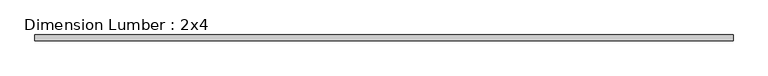
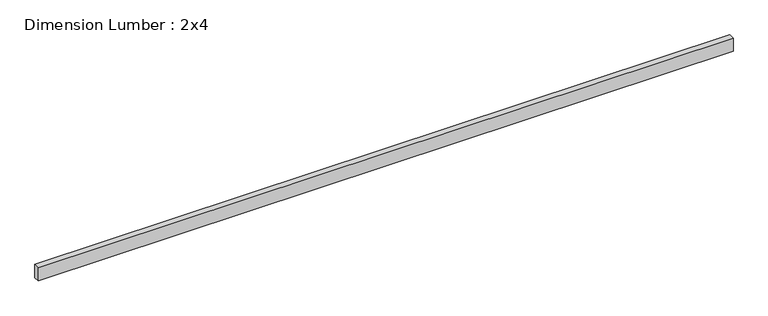
"""IFC4 building model written with IfcOpenShell, lengths in millimetres: beam geometry, Dimension Lumber : 2x4."""

from ifc_helpers import new_model, si_unit, frame, origin, place, context, project, spatial, polyline, outline, extrude, source, transform, mapped, element, save


def dimension_lumber_2x4_2901220b(model_context):
    return source(origin(), model_context, "Body", "SweptSolid", [
        extrude(outline(polyline([(2190.1127273, 19.05), (2190.1127273, -19.05), (-2276.4000818, -19.05), (-2276.4000818, 19.05), (2190.1127273, 19.05)])), frame((0.0, 0.0, -44.45), z_axis=(0.0, 0.0, 1.0), x_axis=(1.0, 0.0, 0.0)), (0.0, 0.0, 1.0), 88.9),
    ])


if __name__ == "__main__":
    model = new_model("IFC4")
    model_context = context("Model", 3, world=origin())
    ifc_project = project(units=[si_unit("LENGTHUNIT", "METRE", prefix="MILLI")], contexts=[model_context])
    site = spatial("IfcSite", under=ifc_project)
    building = spatial("IfcBuilding", under=site)
    placement = place(None, origin())
    dimension_lumber_2x4_shape = dimension_lumber_2x4_2901220b(model_context)
    element("IfcBeam", 1, ObjectType="Dimension Lumber : 2x4", at=placement, inside=building, context=model_context, shape_type="MappedRepresentation", body=[
        mapped(dimension_lumber_2x4_shape, transform((0.0, 0.0, 0.0), x_axis=(1.0, 0.0, 0.0), y_axis=(0.0, 1.0, 0.0), z_axis=(0.0, 0.0, 1.0))),
    ])
    save(model, "model.ifc")
